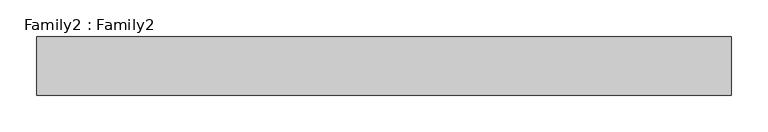
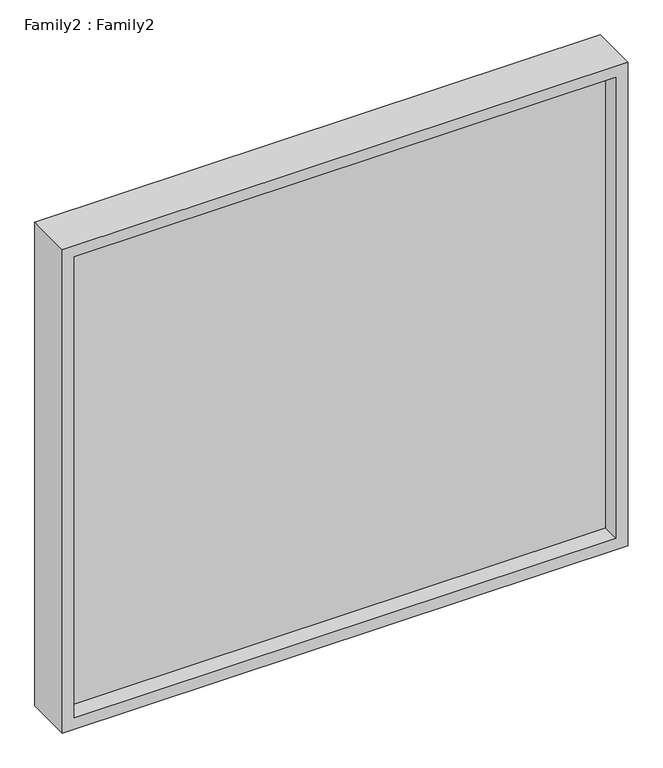
"""IFC4 building model written with IfcOpenShell, lengths in millimetres: plate geometry, Family2 : Family2."""

from ifc_helpers import new_model, si_unit, frame, origin, place, context, project, spatial, polyline, outline, extrude, source, transform, mapped, element, save


def family2_family2_5dc590b1(model_context):
    return source(origin(), model_context, "Body", "SweptSolid", [
        extrude(outline(polyline([(858.3333333, -475.0), (0.0, -475.0), (0.0, 475.0), (858.3333333, 475.0), (858.3333333, -475.0)]), holes=[polyline([(20.0, -455.0), (838.3333333, -455.0), (838.3333333, 455.0), (20.0, 455.0), (20.0, -455.0)])]), frame((0.0, -40.0, 0.0), z_axis=(0.0, 1.0, 0.0), x_axis=(0.0, 0.0, 1.0)), (0.0, 0.0, 1.0), 80.0),
        extrude(outline(polyline([(455.0, 10.0), (455.0, -10.0), (-455.0, -10.0), (-455.0, 10.0), (455.0, 10.0)])), frame((0.0, 0.0, 20.0), z_axis=(0.0, 0.0, 1.0), x_axis=(1.0, 0.0, 0.0)), (0.0, 0.0, 1.0), 818.3333333),
    ])


if __name__ == "__main__":
    model = new_model("IFC4")
    model_context = context("Model", 3, world=origin())
    ifc_project = project(units=[si_unit("LENGTHUNIT", "METRE", prefix="MILLI")], contexts=[model_context])
    site = spatial("IfcSite", under=ifc_project)
    building = spatial("IfcBuilding", under=site)
    placement = place(None, origin())
    family2_family2_shape = family2_family2_5dc590b1(model_context)
    element("IfcPlate", 1, ObjectType="Family2 : Family2", at=placement, inside=building, context=model_context, shape_type="MappedRepresentation", body=[
        mapped(family2_family2_shape, transform((0.0, 0.0, 0.0), x_axis=(1.0, 0.0, 0.0), y_axis=(0.0, 1.0, 0.0), z_axis=(0.0, 0.0, 1.0))),
    ])
    save(model, "model.ifc")
